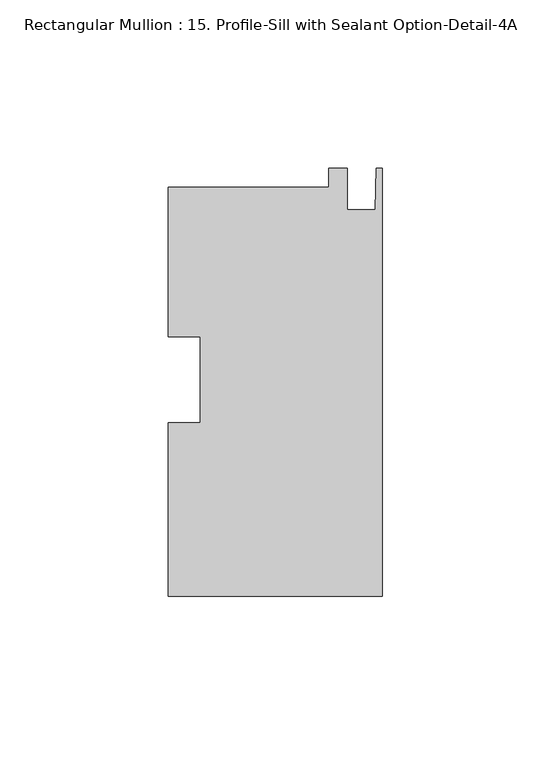
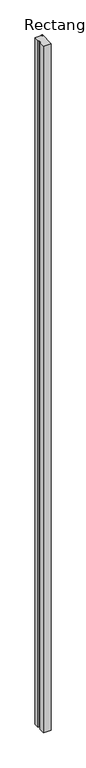
"""IFC4 building model written with IfcOpenShell, lengths in millimetres: member geometry, Rectangular Mullion : 15. Profile-Sill with Sealant Option-Detail-4A."""

from ifc_helpers import new_model, si_unit, frame, origin, place, context, project, spatial, polyline, outline, extrude, source, transform, mapped, element, save


def rectangular_mullion_15_profile_sill_with_sealant_option_e4a16a0d(model_context):
    return source(origin(), model_context, "Body", "SweptSolid", [
        extrude(outline(polyline([(0.0, -64.2503513), (-63.5, -64.2503513), (-63.5, -12.7243674), (-53.975, -12.7243674), (-53.975, 12.7633309), (-63.5, 12.7633309), (-63.5, 57.1870487), (-15.8694428, 57.1870487), (-15.8694428, 62.7496487), (-10.3124, 62.7496487), (-10.3124, 50.4052487), (-2.032, 50.4052487), (-1.778, 62.7496487), (0.0, 62.7496487), (0.0, -64.2503513)])), frame((0.0, 0.0, -6032.5), z_axis=(0.0, 0.0, 1.0), x_axis=(1.0, 0.0, 0.0)), (0.0, 0.0, 1.0), 6032.5),
    ])


if __name__ == "__main__":
    model = new_model("IFC4")
    model_context = context("Model", 3, world=origin())
    ifc_project = project(units=[si_unit("LENGTHUNIT", "METRE", prefix="MILLI")], contexts=[model_context])
    site = spatial("IfcSite", under=ifc_project)
    building = spatial("IfcBuilding", under=site)
    placement = place(None, origin())
    rectangular_mullion_15_profile_sill_with_sealant_option_shape = rectangular_mullion_15_profile_sill_with_sealant_option_e4a16a0d(model_context)
    element("IfcMember", 1, ObjectType="Rectangular Mullion : 15. Profile-Sill with Sealant Option-Detail-4A", at=placement, inside=building, context=model_context, shape_type="MappedRepresentation", body=[
        mapped(rectangular_mullion_15_profile_sill_with_sealant_option_shape, transform((0.0, 0.0, 0.0), x_axis=(1.0, 0.0, 0.0), y_axis=(0.0, 1.0, 0.0), z_axis=(0.0, 0.0, 1.0))),
    ])
    save(model, "model.ifc")
